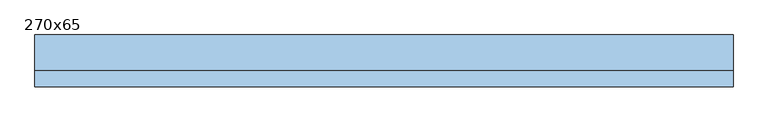
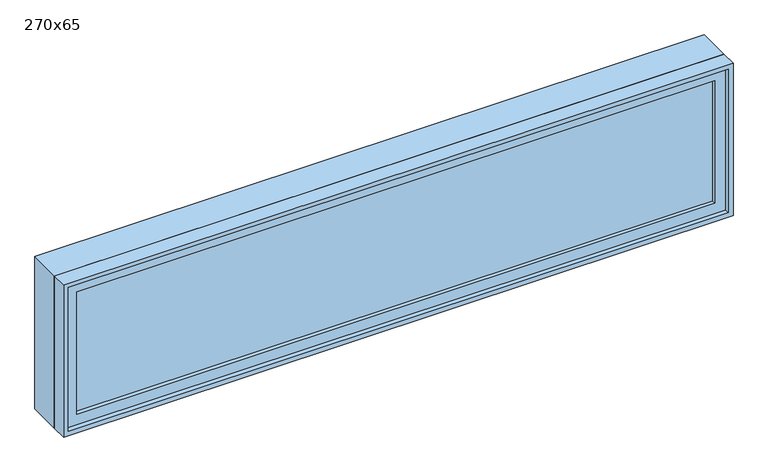
"""IFC4 building model written with IfcOpenShell, lengths in millimetres: window geometry, 270x65."""

import ifcopenshell
import ifcopenshell.guid

model = None  # the IFC model being written
_history = None  # IfcOwnerHistory: only IFC2X3 demands one
_inside = {}  # id of a spatial element -> (the spatial element, [elements in it])
_under = {}  # id of a project, library or spatial element -> (it, [spatial elements below it])
_declared = {}  # id of a project -> (the project, [libraries it declares])
_typed = {}  # id of a type object -> (the type object, [elements of that type])
_made_of = {}  # id of a material, layer set ... -> (it, [elements and type objects made of it])


def new_model(schema):
    """Start an empty IFC model of exactly this schema.

    Asked for "IFC4X3", IfcOpenShell would pick the latest addendum, in which some entities
    have other attributes; the version numbers below select the first issue.
    IFC2X3 requires an IfcOwnerHistory on every rooted entity: one is made here for all.
    """
    global model, _history
    if schema == "IFC4X3":
        model = ifcopenshell.file(schema_version=(4, 3, 0, 0))
    else:
        model = ifcopenshell.file(schema=schema)
    _inside.clear()
    _under.clear()
    _declared.clear()
    _typed.clear()
    _made_of.clear()
    _history = None
    if model.schema == "IFC2X3":
        org = make("IfcOrganization", Name="unknown")
        user = make(
            "IfcPersonAndOrganization",
            ThePerson=make("IfcPerson", FamilyName="unknown"),
            TheOrganization=org,
        )
        app = make(
            "IfcApplication",
            ApplicationDeveloper=org,
            Version="unknown",
            ApplicationFullName="unknown",
            ApplicationIdentifier="unknown",
        )
        _history = make(
            "IfcOwnerHistory",
            OwningUser=user,
            OwningApplication=app,
            ChangeAction="ADDED",
            CreationDate=0,
        )
    return model


def make(cls, **values):
    """One entity of the class cls with the attributes given. An attribute that is None is left unset."""
    return model.create_entity(
        cls, **{name: value for name, value in values.items() if value is not None}
    )


def rooted(cls, **values):
    """An entity with a GlobalId (a new one), such as an element, a storey or a relation."""
    return make(cls, GlobalId=ifcopenshell.guid.new(), OwnerHistory=_history, **values)


def si_unit(unit_type, name, prefix=None):
    """IfcSIUnit, for example si_unit("LENGTHUNIT", "METRE", prefix="MILLI")."""
    return make("IfcSIUnit", UnitType=unit_type, Prefix=prefix, Name=name)


def assignment(units):
    """IfcUnitAssignment: the units of a project."""
    return None if units is None else make("IfcUnitAssignment", Units=units)


def point(xyz):
    """IfcCartesianPoint."""
    return None if xyz is None else make("IfcCartesianPoint", Coordinates=xyz)


def direction(xyz):
    """IfcDirection."""
    return None if xyz is None else make("IfcDirection", DirectionRatios=xyz)


def frame(location, z_axis=None, x_axis=None):
    """IfcAxis2Placement3D, a coordinate frame: its origin and axes. An axis left out is left unset."""
    return make(
        "IfcAxis2Placement3D",
        Location=point(location),
        Axis=direction(z_axis),
        RefDirection=direction(x_axis),
    )


def origin():
    """The frame at (0, 0, 0) with its axes left unset."""
    return frame((0.0, 0.0, 0.0))


def place(relative_to, where):
    """IfcLocalPlacement: puts the frame where relative to a parent placement (None: the world)."""
    return make(
        "IfcLocalPlacement", PlacementRelTo=relative_to, RelativePlacement=where
    )


def context(
    kind, dimensions, precision=None, world=None, true_north=None, identifier=None
):
    """IfcGeometricRepresentationContext, for example the 3D "Model" context."""
    return make(
        "IfcGeometricRepresentationContext",
        ContextIdentifier=identifier,
        ContextType=kind,
        CoordinateSpaceDimension=dimensions,
        Precision=precision,
        WorldCoordinateSystem=world,
        TrueNorth=true_north,
    )


def project(units=None, contexts=None):
    """IfcProject with its units and contexts."""
    return rooted(
        "IfcProject",
        Name="project",
        RepresentationContexts=contexts,
        UnitsInContext=assignment(units),
    )


def spatial(cls, under=None, at=None, **own):
    """A site, building, storey or space (cls), placed at a placement, below another one or the project."""
    s = rooted(cls, ObjectPlacement=at, **own)
    if under is not None:
        _under.setdefault(under.id(), (under, []))[1].append(s)
    return s


def polyline(points):
    """IfcPolyline through the points."""
    return make("IfcPolyline", Points=[point(p) for p in points])


def outline(outer, holes=None, kind="AREA"):
    """IfcArbitraryClosedProfileDef: a profile drawn as a closed curve; with holes, ...WithVoids."""
    if holes is None:
        return make("IfcArbitraryClosedProfileDef", ProfileType=kind, OuterCurve=outer)
    return make(
        "IfcArbitraryProfileDefWithVoids",
        ProfileType=kind,
        OuterCurve=outer,
        InnerCurves=holes,
    )


def extrude(swept, where, along, depth):
    """IfcExtrudedAreaSolid: the profile swept, set in the frame where, extruded along a direction by depth."""
    return make(
        "IfcExtrudedAreaSolid",
        SweptArea=swept,
        Position=where,
        ExtrudedDirection=direction(along),
        Depth=depth,
    )


def shape(context_of_items, identifier, shape_type, items):
    """IfcShapeRepresentation: the items that make up one representation, for example the "Body"."""
    return make(
        "IfcShapeRepresentation",
        ContextOfItems=context_of_items,
        RepresentationIdentifier=identifier,
        RepresentationType=shape_type,
        Items=items,
    )


def source(mapping_origin, context_of_items, identifier, shape_type, items):
    """IfcRepresentationMap: a shape defined once, which mapped items show again and again."""
    return make(
        "IfcRepresentationMap",
        MappingOrigin=mapping_origin,
        MappedRepresentation=shape(context_of_items, identifier, shape_type, items),
    )


def transform(
    local_origin,
    x_axis=None,
    y_axis=None,
    z_axis=None,
    scale=None,
    scale2=None,
    scale3=None,
    uniform=True,
):
    """IfcCartesianTransformationOperator3D, or its non-uniform kind. x_axis, y_axis, z_axis: its Axis1, 2, 3."""
    if uniform:
        return make(
            "IfcCartesianTransformationOperator3D",
            Axis1=direction(x_axis),
            Axis2=direction(y_axis),
            LocalOrigin=point(local_origin),
            Scale=scale,
            Axis3=direction(z_axis),
        )
    return make(
        "IfcCartesianTransformationOperator3DnonUniform",
        Axis1=direction(x_axis),
        Axis2=direction(y_axis),
        LocalOrigin=point(local_origin),
        Scale=scale,
        Axis3=direction(z_axis),
        Scale2=scale2,
        Scale3=scale3,
    )


def mapped(mapping_source, mapping_target):
    """IfcMappedItem: shows the shape of a source again, moved by a transform."""
    return make(
        "IfcMappedItem", MappingSource=mapping_source, MappingTarget=mapping_target
    )


def made_of(thing, what):
    """Note that an element or type object is made of a material, layer set ...; save() writes the relation."""
    if what is not None:
        _made_of.setdefault(what.id(), (what, []))[1].append(thing)
    return thing


def element(
    cls,
    number,
    at=None,
    inside=None,
    cuts=None,
    type_object=None,
    material=None,
    context=None,
    identifier="Body",
    shape_type=None,
    held_by="IfcProductDefinitionShape",
    body=None,
    shapes=None,
    **own,
):
    """One element of the class cls, such as IfcWall. Its Tag is "e" and its number.

    at: its placement. inside: the storey or other place that contains it. cuts: it is an
    opening in that element (IfcRelVoidsElement). A single representation is given by context,
    identifier, shape_type and body (its items); several are given by shapes. held_by: the class
    of the entity that holds the representations. save() writes the other relations.
    """
    e = rooted(cls, Tag="e%d" % number, ObjectPlacement=at, **own)
    if body is not None:
        shapes = [shape(context, identifier, shape_type, body)]
    if shapes is not None:
        e.Representation = make(held_by, Representations=shapes)
    if inside is not None:
        _inside.setdefault(inside.id(), (inside, []))[1].append(e)
    if cuts is not None:
        rooted(
            "IfcRelVoidsElement", RelatingBuildingElement=cuts, RelatedOpeningElement=e
        )
    if type_object is not None:
        _typed.setdefault(type_object.id(), (type_object, []))[1].append(e)
    return made_of(e, material)


def aggregate(whole, parts):
    """IfcRelAggregates: a whole, such as a stair, and the parts it consists of."""
    return rooted("IfcRelAggregates", RelatingObject=whole, RelatedObjects=parts)


def save(model, path):
    """Write the relations noted so far, then the file.

    IfcRelAggregates (storeys below a building ...), IfcRelContainedInSpatialStructure (elements
    in a storey), IfcRelDefinesByType, IfcRelAssociatesMaterial and IfcRelDeclares: one each for
    every whole, place, type object, material and project.
    """
    for whole, parts in _under.values():
        aggregate(whole, parts)
    for where, things in _inside.values():
        rooted(
            "IfcRelContainedInSpatialStructure",
            RelatedElements=things,
            RelatingStructure=where,
        )
    for kind, things in _typed.values():
        rooted("IfcRelDefinesByType", RelatedObjects=things, RelatingType=kind)
    for what, things in _made_of.values():
        rooted("IfcRelAssociatesMaterial", RelatedObjects=things, RelatingMaterial=what)
    for by, libraries in _declared.values():
        rooted("IfcRelDeclares", RelatingContext=by, RelatedDefinitions=libraries)
    model.write(path)


def window_270x65_818e312f(model_context):
    return source(origin(), model_context, "Body", "SweptSolid", [
        extrude(outline(polyline([(1248.4, -52.375), (1248.4, -65.075), (-1324.6, -65.075), (-1324.6, -52.375), (1248.4, -52.375)])), frame((0.0, 0.0, 977.9), z_axis=(0.0, 0.0, 1.0), x_axis=(1.0, 0.0, 0.0)), (0.0, 0.0, 1.0), 523.0),
        extrude(outline(polyline([(1545.35, -1369.05), (933.45, -1369.05), (933.45, 1292.85), (1545.35, 1292.85), (1545.35, -1369.05)]), holes=[polyline([(1500.9, -1324.6), (1500.9, 1248.4), (977.9, 1248.4), (977.9, -1324.6), (1500.9, -1324.6)])]), frame((0.0, -80.95, 0.0), z_axis=(0.0, 1.0, 0.0), x_axis=(0.0, 0.0, 1.0)), (0.0, 0.0, 1.0), 44.45),
        extrude(outline(polyline([(1564.4, -1388.1), (914.4, -1388.1), (914.4, 1311.9), (1564.4, 1311.9), (1564.4, -1388.1)]), holes=[polyline([(1532.65, -1356.35), (1532.65, 1280.15), (946.15, 1280.15), (946.15, -1356.35), (1532.65, -1356.35)])]), frame((0.0, -36.5, 0.0), z_axis=(0.0, 1.0, 0.0), x_axis=(0.0, 0.0, 1.0)), (0.0, 0.0, 1.0), 136.5),
        extrude(outline(polyline([(1564.4, 1311.9), (1564.4, -1388.1), (914.4, -1388.1), (914.4, 1311.9), (1564.4, 1311.9)]), holes=[polyline([(1545.35, 1292.85), (933.45, 1292.85), (933.45, -1369.05), (1545.35, -1369.05), (1545.35, 1292.85)])]), frame((0.0, -100.0, 0.0), z_axis=(0.0, 1.0, 0.0), x_axis=(0.0, 0.0, 1.0)), (0.0, 0.0, 1.0), 63.5),
    ])


if __name__ == "__main__":
    model = new_model("IFC4")
    model_context = context("Model", 3, world=origin())
    ifc_project = project(units=[si_unit("LENGTHUNIT", "METRE", prefix="MILLI")], contexts=[model_context])
    site = spatial("IfcSite", under=ifc_project)
    building = spatial("IfcBuilding", under=site)
    placement = place(None, origin())
    window_270x65_shape = window_270x65_818e312f(model_context)
    element("IfcWindow", 1, ObjectType="270x65", at=placement, inside=building, context=model_context, shape_type="MappedRepresentation", body=[
        mapped(window_270x65_shape, transform((0.0, 0.0, 0.0), x_axis=(1.0, 0.0, 0.0), y_axis=(0.0, 1.0, 0.0), z_axis=(0.0, 0.0, 1.0))),
    ])
    save(model, "model.ifc")
